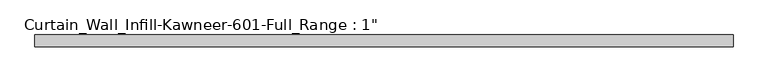
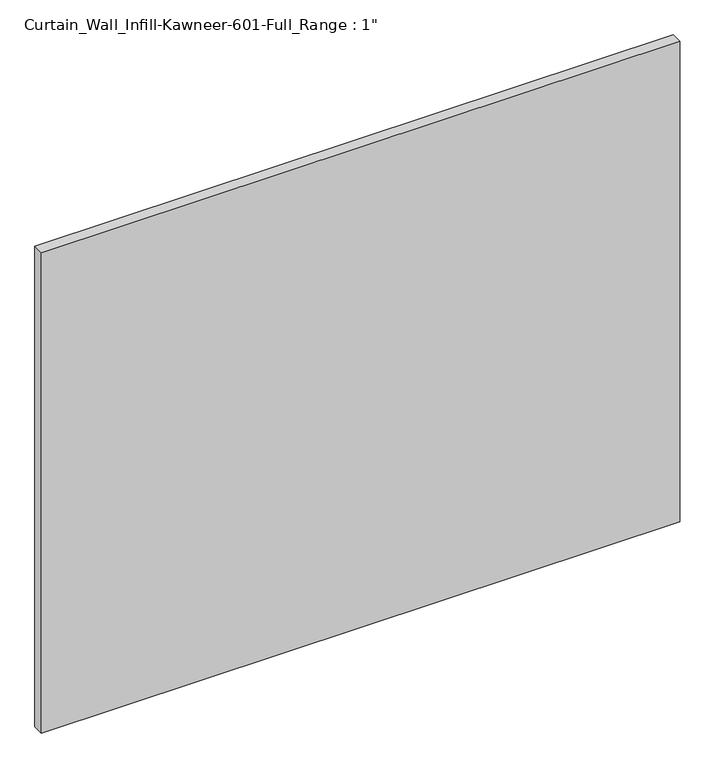
"""IFC4 building model written with IfcOpenShell, lengths in millimetres: plate geometry."""

import ifcopenshell
import ifcopenshell.guid

model = None  # the IFC model being written
_history = None  # IfcOwnerHistory: only IFC2X3 demands one
_inside = {}  # id of a spatial element -> (the spatial element, [elements in it])
_under = {}  # id of a project, library or spatial element -> (it, [spatial elements below it])
_declared = {}  # id of a project -> (the project, [libraries it declares])
_typed = {}  # id of a type object -> (the type object, [elements of that type])
_made_of = {}  # id of a material, layer set ... -> (it, [elements and type objects made of it])


def new_model(schema):
    """Start an empty IFC model of exactly this schema.

    Asked for "IFC4X3", IfcOpenShell would pick the latest addendum, in which some entities
    have other attributes; the version numbers below select the first issue.
    IFC2X3 requires an IfcOwnerHistory on every rooted entity: one is made here for all.
    """
    global model, _history
    if schema == "IFC4X3":
        model = ifcopenshell.file(schema_version=(4, 3, 0, 0))
    else:
        model = ifcopenshell.file(schema=schema)
    _inside.clear()
    _under.clear()
    _declared.clear()
    _typed.clear()
    _made_of.clear()
    _history = None
    if model.schema == "IFC2X3":
        org = make("IfcOrganization", Name="unknown")
        user = make(
            "IfcPersonAndOrganization",
            ThePerson=make("IfcPerson", FamilyName="unknown"),
            TheOrganization=org,
        )
        app = make(
            "IfcApplication",
            ApplicationDeveloper=org,
            Version="unknown",
            ApplicationFullName="unknown",
            ApplicationIdentifier="unknown",
        )
        _history = make(
            "IfcOwnerHistory",
            OwningUser=user,
            OwningApplication=app,
            ChangeAction="ADDED",
            CreationDate=0,
        )
    return model


def make(cls, **values):
    """One entity of the class cls with the attributes given. An attribute that is None is left unset."""
    return model.create_entity(
        cls, **{name: value for name, value in values.items() if value is not None}
    )


def rooted(cls, **values):
    """An entity with a GlobalId (a new one), such as an element, a storey or a relation."""
    return make(cls, GlobalId=ifcopenshell.guid.new(), OwnerHistory=_history, **values)


def si_unit(unit_type, name, prefix=None):
    """IfcSIUnit, for example si_unit("LENGTHUNIT", "METRE", prefix="MILLI")."""
    return make("IfcSIUnit", UnitType=unit_type, Prefix=prefix, Name=name)


def assignment(units):
    """IfcUnitAssignment: the units of a project."""
    return None if units is None else make("IfcUnitAssignment", Units=units)


def point(xyz):
    """IfcCartesianPoint."""
    return None if xyz is None else make("IfcCartesianPoint", Coordinates=xyz)


def direction(xyz):
    """IfcDirection."""
    return None if xyz is None else make("IfcDirection", DirectionRatios=xyz)


def frame(location, z_axis=None, x_axis=None):
    """IfcAxis2Placement3D, a coordinate frame: its origin and axes. An axis left out is left unset."""
    return make(
        "IfcAxis2Placement3D",
        Location=point(location),
        Axis=direction(z_axis),
        RefDirection=direction(x_axis),
    )


def origin():
    """The frame at (0, 0, 0) with its axes left unset."""
    return frame((0.0, 0.0, 0.0))


def origin_with_axes():
    """The frame at (0, 0, 0) with the z axis (0, 0, 1) and the x axis (1, 0, 0) written out."""
    return frame((0.0, 0.0, 0.0), z_axis=(0.0, 0.0, 1.0), x_axis=(1.0, 0.0, 0.0))


def place(relative_to, where):
    """IfcLocalPlacement: puts the frame where relative to a parent placement (None: the world)."""
    return make(
        "IfcLocalPlacement", PlacementRelTo=relative_to, RelativePlacement=where
    )


def context(
    kind, dimensions, precision=None, world=None, true_north=None, identifier=None
):
    """IfcGeometricRepresentationContext, for example the 3D "Model" context."""
    return make(
        "IfcGeometricRepresentationContext",
        ContextIdentifier=identifier,
        ContextType=kind,
        CoordinateSpaceDimension=dimensions,
        Precision=precision,
        WorldCoordinateSystem=world,
        TrueNorth=true_north,
    )


def project(units=None, contexts=None):
    """IfcProject with its units and contexts."""
    return rooted(
        "IfcProject",
        Name="project",
        RepresentationContexts=contexts,
        UnitsInContext=assignment(units),
    )


def spatial(cls, under=None, at=None, **own):
    """A site, building, storey or space (cls), placed at a placement, below another one or the project."""
    s = rooted(cls, ObjectPlacement=at, **own)
    if under is not None:
        _under.setdefault(under.id(), (under, []))[1].append(s)
    return s


def polyline(points):
    """IfcPolyline through the points."""
    return make("IfcPolyline", Points=[point(p) for p in points])


def outline(outer, holes=None, kind="AREA"):
    """IfcArbitraryClosedProfileDef: a profile drawn as a closed curve; with holes, ...WithVoids."""
    if holes is None:
        return make("IfcArbitraryClosedProfileDef", ProfileType=kind, OuterCurve=outer)
    return make(
        "IfcArbitraryProfileDefWithVoids",
        ProfileType=kind,
        OuterCurve=outer,
        InnerCurves=holes,
    )


def extrude(swept, where, along, depth):
    """IfcExtrudedAreaSolid: the profile swept, set in the frame where, extruded along a direction by depth."""
    return make(
        "IfcExtrudedAreaSolid",
        SweptArea=swept,
        Position=where,
        ExtrudedDirection=direction(along),
        Depth=depth,
    )


def shape(context_of_items, identifier, shape_type, items):
    """IfcShapeRepresentation: the items that make up one representation, for example the "Body"."""
    return make(
        "IfcShapeRepresentation",
        ContextOfItems=context_of_items,
        RepresentationIdentifier=identifier,
        RepresentationType=shape_type,
        Items=items,
    )


def source(mapping_origin, context_of_items, identifier, shape_type, items):
    """IfcRepresentationMap: a shape defined once, which mapped items show again and again."""
    return make(
        "IfcRepresentationMap",
        MappingOrigin=mapping_origin,
        MappedRepresentation=shape(context_of_items, identifier, shape_type, items),
    )


def transform(
    local_origin,
    x_axis=None,
    y_axis=None,
    z_axis=None,
    scale=None,
    scale2=None,
    scale3=None,
    uniform=True,
):
    """IfcCartesianTransformationOperator3D, or its non-uniform kind. x_axis, y_axis, z_axis: its Axis1, 2, 3."""
    if uniform:
        return make(
            "IfcCartesianTransformationOperator3D",
            Axis1=direction(x_axis),
            Axis2=direction(y_axis),
            LocalOrigin=point(local_origin),
            Scale=scale,
            Axis3=direction(z_axis),
        )
    return make(
        "IfcCartesianTransformationOperator3DnonUniform",
        Axis1=direction(x_axis),
        Axis2=direction(y_axis),
        LocalOrigin=point(local_origin),
        Scale=scale,
        Axis3=direction(z_axis),
        Scale2=scale2,
        Scale3=scale3,
    )


def mapped(mapping_source, mapping_target):
    """IfcMappedItem: shows the shape of a source again, moved by a transform."""
    return make(
        "IfcMappedItem", MappingSource=mapping_source, MappingTarget=mapping_target
    )


def made_of(thing, what):
    """Note that an element or type object is made of a material, layer set ...; save() writes the relation."""
    if what is not None:
        _made_of.setdefault(what.id(), (what, []))[1].append(thing)
    return thing


def element(
    cls,
    number,
    at=None,
    inside=None,
    cuts=None,
    type_object=None,
    material=None,
    context=None,
    identifier="Body",
    shape_type=None,
    held_by="IfcProductDefinitionShape",
    body=None,
    shapes=None,
    **own,
):
    """One element of the class cls, such as IfcWall. Its Tag is "e" and its number.

    at: its placement. inside: the storey or other place that contains it. cuts: it is an
    opening in that element (IfcRelVoidsElement). A single representation is given by context,
    identifier, shape_type and body (its items); several are given by shapes. held_by: the class
    of the entity that holds the representations. save() writes the other relations.
    """
    e = rooted(cls, Tag="e%d" % number, ObjectPlacement=at, **own)
    if body is not None:
        shapes = [shape(context, identifier, shape_type, body)]
    if shapes is not None:
        e.Representation = make(held_by, Representations=shapes)
    if inside is not None:
        _inside.setdefault(inside.id(), (inside, []))[1].append(e)
    if cuts is not None:
        rooted(
            "IfcRelVoidsElement", RelatingBuildingElement=cuts, RelatedOpeningElement=e
        )
    if type_object is not None:
        _typed.setdefault(type_object.id(), (type_object, []))[1].append(e)
    return made_of(e, material)


def aggregate(whole, parts):
    """IfcRelAggregates: a whole, such as a stair, and the parts it consists of."""
    return rooted("IfcRelAggregates", RelatingObject=whole, RelatedObjects=parts)


def save(model, path):
    """Write the relations noted so far, then the file.

    IfcRelAggregates (storeys below a building ...), IfcRelContainedInSpatialStructure (elements
    in a storey), IfcRelDefinesByType, IfcRelAssociatesMaterial and IfcRelDeclares: one each for
    every whole, place, type object, material and project.
    """
    for whole, parts in _under.values():
        aggregate(whole, parts)
    for where, things in _inside.values():
        rooted(
            "IfcRelContainedInSpatialStructure",
            RelatedElements=things,
            RelatingStructure=where,
        )
    for kind, things in _typed.values():
        rooted("IfcRelDefinesByType", RelatedObjects=things, RelatingType=kind)
    for what, things in _made_of.values():
        rooted("IfcRelAssociatesMaterial", RelatedObjects=things, RelatingMaterial=what)
    for by, libraries in _declared.values():
        rooted("IfcRelDeclares", RelatingContext=by, RelatedDefinitions=libraries)
    model.write(path)


def plate_e9d6177a(model_context):
    return source(origin(), model_context, "Body", "SweptSolid", [
        extrude(outline(polyline([(-746.125, 12.7), (746.125, 12.7), (746.125, -12.7), (-746.125, -12.7), (-746.125, 12.7)])), origin_with_axes(), (0.0, 0.0, 1.0), 1187.45),
    ])


if __name__ == "__main__":
    model = new_model("IFC4")
    model_context = context("Model", 3, world=origin())
    ifc_project = project(units=[si_unit("LENGTHUNIT", "METRE", prefix="MILLI")], contexts=[model_context])
    site = spatial("IfcSite", under=ifc_project)
    building = spatial("IfcBuilding", under=site)
    placement = place(None, origin())
    plate_shape = plate_e9d6177a(model_context)
    element("IfcPlate", 1, ObjectType="Curtain_Wall_Infill-Kawneer-601-Full_Range : 1\"", at=placement, inside=building, context=model_context, shape_type="MappedRepresentation", body=[
        mapped(plate_shape, transform((0.0, 0.0, 0.0), x_axis=(1.0, 0.0, 0.0), y_axis=(0.0, 1.0, 0.0), z_axis=(0.0, 0.0, 1.0))),
    ])
    save(model, "model.ifc")
